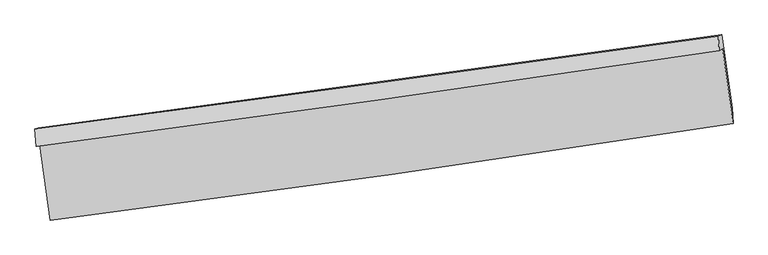
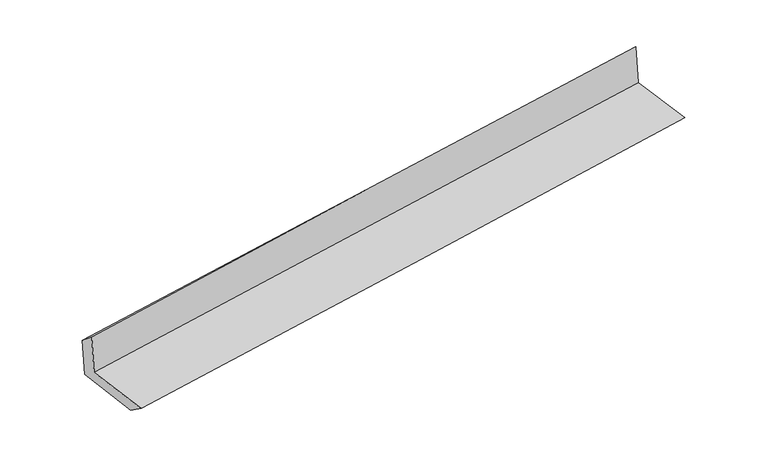
"""IFC4 building model written with IfcOpenShell, lengths in millimetres: proxy geometry."""

from ifc_helpers import new_model, si_unit, frame, origin, place, context, project, spatial, source, transform, mapped, element, save
from ifc_brep_helpers import plane_surface, spline_curve, spline_surface, advanced_brep


def generic_models_5d578d7c(model_context):
    return source(origin(), model_context, "Body", "AdvancedBrep", [
        advanced_brep(
        [(-3001.0660232, -1912.4824626, 1644.5349359), (-2908.8926184, -2572.3267219, 1629.9624157), (3045.9310852, -1728.5156377, 2129.7899346), (2955.4995522, -1074.8806248, 2133.6840806), (-3032.1890545, -1927.3720207, 2044.4332356), (2923.9826551, -1089.9586121, 2538.6431435), (-3042.2008548, -1777.2192923, 1915.6019663), (2917.3839104, -964.4291078, 2409.5881515), (-3012.5023124, -1766.8002807, 1540.3032403), (2947.8710156, -953.7334481, 2024.324405), (-2921.1120517, -2417.1773281, 1519.4387699), (3037.8316781, -1593.8471642, 2003.6373836)],
        [
            (0, 1),
            (1, 2, spline_curve(3, [(-2908.8926184, -2572.3267219, 1629.9624157), (-1915.054004645, -2446.382450132, 1721.312387483), (-921.904347108, -2313.093500807, 1808.639290095), (1063.036915062, -2031.823433454, 1975.248624332), (2054.828491748, -1883.842021245, 2054.530894518), (3045.9310852, -1728.5156377, 2129.7899346)], [4, 2, 4], [0.0, 9.900166314491656, 19.80053072148938])),
            (2, 3),
            (3, 0, spline_curve(3, [(2955.4995522, -1074.8806248, 2133.6840806), (1963.365191281, -1224.547361738, 2061.457130741), (970.912576957, -1369.181531613, 1984.580772644), (-1014.609294194, -1648.381942553, 1821.530871573), (-2007.678538573, -1782.948385576, 1735.357514933), (-3001.0660232, -1912.4824626, 1644.5349359)], [4, 2, 4], [0.0, 9.900364406997724, 19.80053072148938])),
            (4, 0),
            (3, 5),
            (5, 4, spline_curve(3, [(2923.9826551, -1089.9586121, 2538.6431435), (1931.528176612, -1239.778496514, 2470.52936982), (938.94832766, -1384.473536144, 2395.287840697), (-1046.442247211, -1663.611134251, 2230.550919398), (-2039.252968414, -1798.053896992, 2141.055812531), (-3032.1890545, -1927.3720207, 2044.4332356)], [4, 2, 4], [0.0, 9.90036491244953, 19.80053173238288])),
            (6, 4),
            (5, 7),
            (7, 6, spline_curve(3, [(2917.3839104, -964.4291078, 2409.5881515), (1923.989671935, -1101.50343438, 2331.622545627), (930.655521136, -1237.773783035, 2251.473793578), (-1055.872731705, -1508.703812072, 2086.811644769), (-2049.066835711, -1643.363525331, 2002.298334754), (-3042.2008548, -1777.2192923, 1915.6019663)], [4, 2, 4], [0.0, 9.900183695469703, 19.800169302049124])),
            (8, 6),
            (7, 9),
            (9, 8, spline_curve(3, [(2947.8710156, -953.7334481, 2024.324405), (1954.345351354, -1090.853882392, 1948.019619211), (960.879773273, -1227.170338562, 1869.531704223), (-1025.911333813, -1498.192584222, 1708.191228492), (-2019.236864846, -1632.89840515, 1625.33875543), (-3012.5023124, -1766.8002807, 1540.3032403)], [4, 2, 4], [0.0, 9.900073540011334, 19.799948993336443])),
            (10, 8),
            (9, 11),
            (11, 10, spline_curve(3, [(3037.8316781, -1593.8471642, 2003.6373836), (2044.067740144, -1729.256991847, 1927.362173525), (1050.602162335, -1865.573448068, 1848.87425835), (-935.712402442, -2140.016872489, 1687.474632157), (-1928.561401061, -2278.143804237, 1604.563009364), (-2921.1120517, -2417.1773281, 1519.4387699)], [4, 2, 4], [0.0, 9.900072695713607, 19.799947304757882])),
            (1, 10),
            (11, 2),
        ],
        [
            spline_surface(3, 3, [[(-3001.0660232, -1912.4824626, 1644.5349359), (-2007.678538425, -1782.948385622, 1735.35751477), (-1014.609294227, -1648.381942689, 1821.530871627), (970.91257699, -1369.181531477, 1984.58077259), (1963.36519123, -1224.547361809, 2061.457130615), (2955.4995522, -1074.8806248, 2133.6840806)], [(-2970.34155493, -2132.430549023, 1639.677429171), (-1976.803693878, -2004.093073782, 1730.675805704), (-983.707645149, -1869.95246209, 1817.233677842), (1001.620689705, -1590.062165459, 1981.47005647), (1993.852958106, -1444.312248289, 2059.148385232), (2985.643396548, -1292.758962435, 2132.386031924)], [(-2939.61708667, -2352.378635477, 1634.819922429), (-1945.928849343, -2225.237761973, 1725.994096625), (-952.805996165, -2091.522981463, 1812.936484019), (1032.328802326, -1810.942799415, 1978.359340313), (2024.340724939, -1664.077134764, 2056.839639877), (3015.787240852, -1510.637300065, 2131.087983276)], [(-2908.8926184, -2572.3267219, 1629.9624157), (-1915.054004797, -2446.382450133, 1721.31238756), (-921.904347088, -2313.093500863, 1808.639290234), (1063.036915042, -2031.823433397, 1975.248624193), (2054.828491815, -1883.842021244, 2054.530894494), (3045.9310852, -1728.5156377, 2129.7899346)]], [4, 4], [4, 2, 4], [0.0, 2.198727530604586], [0.0, 9.900166314491656, 19.80053072148938]),
            spline_surface(3, 3, [[(-3032.1890545, -1927.3720207, 2044.4332356), (-2039.252968304, -1798.053897152, 2141.055812637), (-1046.442247213, -1663.611134086, 2230.550919449), (938.948327662, -1384.473536308, 2395.287840645), (1931.528176454, -1239.77849649, 2470.529369801), (2923.9826551, -1089.9586121, 2538.6431435)], [(-3021.814710743, -1922.408834673, 1911.133802361), (-2028.728158353, -1793.018726648, 2005.823046675), (-1035.831262914, -1658.534736943, 2094.210903514), (949.603077409, -1379.376201354, 2258.385484632), (1942.140514726, -1234.701451593, 2334.171956743), (2934.48828748, -1084.932616331, 2403.656789204)], [(-3011.440366957, -1917.445648627, 1777.834369139), (-2018.203348375, -1787.983556126, 1870.590280731), (-1025.220278526, -1653.458339832, 1957.870887563), (960.257827243, -1374.278866431, 2121.483128603), (1952.752852958, -1229.624406705, 2197.814543673), (2944.99391982, -1079.906620569, 2268.670434896)], [(-3001.0660232, -1912.4824626, 1644.5349359), (-2007.678538425, -1782.948385622, 1735.35751477), (-1014.609294227, -1648.381942689, 1821.530871627), (970.91257699, -1369.181531477, 1984.58077259), (1963.36519123, -1224.547361809, 2061.457130615), (2955.4995522, -1074.8806248, 2133.6840806)]], [4, 4], [4, 2, 4], [0.0, 1.3496920622526103], [0.0, 9.900166819933348, 19.80053173238288]),
            spline_surface(3, 3, [[(-3042.2008548, -1777.2192923, 1915.6019663), (-2049.066835808, -1643.363525369, 2002.298334905), (-1055.872731618, -1508.703812211, 2086.811644616), (930.655521049, -1237.773782896, 2251.47379373), (1923.989671916, -1101.503434529, 2331.622545716), (2917.3839104, -964.4291078, 2409.5881515)], [(-3038.863588041, -1827.270201766, 1958.545722735), (-2045.795546648, -1694.92698263, 2048.550827484), (-1052.729236791, -1560.339586172, 2134.724736212), (933.419789945, -1286.673700703, 2299.411809353), (1926.502506742, -1147.595121845, 2377.924820394), (2919.583491946, -1006.272275896, 2452.606482149)], [(-3035.526321259, -1877.321111234, 2001.489479165), (-2042.524257464, -1746.490439891, 2094.803320058), (-1049.58574204, -1611.975360125, 2182.637827854), (936.184058766, -1335.573618501, 2347.349825023), (1929.015341629, -1193.686809174, 2424.227095124), (2921.783073554, -1048.115444004, 2495.624812851)], [(-3032.1890545, -1927.3720207, 2044.4332356), (-2039.252968304, -1798.053897152, 2141.055812637), (-1046.442247213, -1663.611134086, 2230.550919449), (938.948327662, -1384.473536308, 2395.287840645), (1931.528176454, -1239.77849649, 2470.529369801), (2923.9826551, -1089.9586121, 2538.6431435)]], [4, 4], [4, 2, 4], [0.0, 0.6842100095345414], [0.0, 9.89998560657942, 19.800169302049124]),
            spline_surface(3, 3, [[(-3012.5023124, -1766.8002807, 1540.3032403), (-2019.236864972, -1632.898405298, 1625.33875553), (-1025.911333724, -1498.19258406, 1708.19122856), (960.879773184, -1227.170338724, 1869.531704155), (1954.345351311, -1090.853882378, 1948.01961936), (2947.8710156, -953.7334481, 2024.324405)], [(-3022.401826538, -1770.273284577, 1665.402815623), (-2029.180188589, -1636.386778666, 1750.991948645), (-1035.898466381, -1501.696326764, 1834.398033928), (950.805022447, -1230.704820103, 1996.845734029), (1944.226791533, -1094.403733093, 2075.887261487), (2937.708647221, -957.298667998, 2152.745653842)], [(-3032.301340662, -1773.746288423, 1790.502390977), (-2039.123512191, -1639.875152001, 1876.64514179), (-1045.885598961, -1505.200069506, 1960.604839249), (940.730271786, -1234.239301518, 2124.159763856), (1934.108231694, -1097.953583814, 2203.754903589), (2927.546278779, -960.863887902, 2281.166902658)], [(-3042.2008548, -1777.2192923, 1915.6019663), (-2049.066835808, -1643.363525369, 2002.298334905), (-1055.872731618, -1508.703812211, 2086.811644616), (930.655521049, -1237.773782896, 2251.47379373), (1923.989671916, -1101.503434529, 2331.622545716), (2917.3839104, -964.4291078, 2409.5881515)]], [4, 4], [4, 2, 4], [0.0, 1.2520215164045108], [0.0, 9.899875453325109, 19.799948993336443]),
            spline_surface(3, 3, [[(-2921.1120517, -2417.1773281, 1519.4387699), (-1928.561400978, -2278.143804128, 1604.563009312), (-935.712402377, -2140.0168724, 1687.474632039), (1050.60216227, -1865.573448157, 1848.874258468), (2044.067740296, -1729.256991911, 1927.362173673), (3037.8316781, -1593.8471642, 2003.6373836)], [(-2951.575471937, -2200.38497897, 1526.393593358), (-1958.786555646, -2063.062004521, 1611.488258043), (-965.778712804, -1926.075442945, 1694.380164219), (1020.694699264, -1652.772411671, 1855.760073704), (2014.16027729, -1516.455955425, 1934.247988909), (3007.844790589, -1380.475925525, 2010.533057407)], [(-2982.038892163, -1983.59262983, 1533.348416842), (-1989.011710303, -1847.980204905, 1618.413506799), (-995.845023297, -1712.134013515, 1701.28569638), (990.787236191, -1439.97137521, 1862.645888919), (1984.252814317, -1303.654918864, 1941.133804124), (2977.857903111, -1167.104686775, 2017.428731193)], [(-3012.5023124, -1766.8002807, 1540.3032403), (-2019.236864972, -1632.898405298, 1625.33875553), (-1025.911333724, -1498.19258406, 1708.19122856), (960.879773184, -1227.170338724, 1869.531704155), (1954.345351311, -1090.853882378, 1948.01961936), (2947.8710156, -953.7334481, 2024.324405)]], [4, 4], [4, 2, 4], [0.0, 2.121834536939554], [0.0, 9.899874609044275, 19.799947304757882]),
            spline_surface(3, 3, [[(-2908.8926184, -2572.3267219, 1629.9624157), (-1915.054004797, -2446.382450133, 1721.31238756), (-921.904347088, -2313.093500863, 1808.639290234), (1063.036915042, -2031.823433397, 1975.248624193), (2054.828491815, -1883.842021244, 2054.530894494), (3045.9310852, -1728.5156377, 2129.7899346)], [(-2912.965762811, -2520.61025729, 1593.121200452), (-1919.556470168, -2390.302901455, 1682.395928162), (-926.507032208, -2255.401291395, 1768.251070812), (1058.891997428, -1976.40677167, 1933.123835594), (2051.241574626, -1832.313678115, 2012.141320895), (3043.231282817, -1683.626146516, 2087.739084274)], [(-2917.038907289, -2468.89379271, 1556.279985148), (-1924.058935606, -2334.223352806, 1643.479468709), (-931.109717257, -2197.709081869, 1727.862851461), (1054.747079884, -1920.990109884, 1890.999047067), (2047.654657486, -1780.785335039, 1969.751747273), (3040.531480483, -1638.736655384, 2045.688233926)], [(-2921.1120517, -2417.1773281, 1519.4387699), (-1928.561400978, -2278.143804128, 1604.563009312), (-935.712402377, -2140.0168724, 1687.474632039), (1050.60216227, -1865.573448157, 1848.874258468), (2044.067740296, -1729.256991911, 1927.362173673), (3037.8316781, -1593.8471642, 2003.6373836)]], [4, 4], [4, 2, 4], [0.0, 0.6903552193808716], [0.0, 9.899954480703522, 19.80010704967453]),
            plane_surface(frame((2971.4166494, -1234.2274325, 2206.6111831), z_axis=(0.9873024571758656, 0.1361070256410698, 0.08190687166312517), x_axis=(-0.07885627239297278, -0.027664806166849392, 0.996502055594486))),
            plane_surface(frame((-2986.3271525, -2062.2296844, 1715.7124273), z_axis=(-0.9873024571758963, -0.1361070256408754, -0.0819068716630783), x_axis=(-0.13831328727191083, 0.9901470904129995, 0.021867187992728857))),
        ],
        [
            (0, [[1, 2, 3, 4]]),
            (1, [[5, -4, 6, 7]]),
            (2, [[8, -7, 9, 10]]),
            (3, [[11, -10, 12, 13]]),
            (4, [[14, -13, 15, 16]]),
            (5, [[17, -16, 18, -2]]),
            (6, [[-12, -9, -6, -3, -18, -15]]),
            (7, [[-1, -5, -8, -11, -14, -17]]),
        ],
    ),
    ])


if __name__ == "__main__":
    model = new_model("IFC4")
    model_context = context("Model", 3, world=origin())
    ifc_project = project(units=[si_unit("LENGTHUNIT", "METRE", prefix="MILLI")], contexts=[model_context])
    site = spatial("IfcSite", under=ifc_project)
    building = spatial("IfcBuilding", under=site)
    placement = place(None, origin())
    generic_models_shape = generic_models_5d578d7c(model_context)
    element("IfcBuildingElementProxy", 1, Name="Generic Models", at=placement, inside=building, context=model_context, shape_type="MappedRepresentation", body=[
        mapped(generic_models_shape, transform((0.0, 0.0, 0.0), x_axis=(1.0, 0.0, 0.0), y_axis=(0.0, 1.0, 0.0), z_axis=(0.0, 0.0, 1.0))),
    ])
    save(model, "model.ifc")
